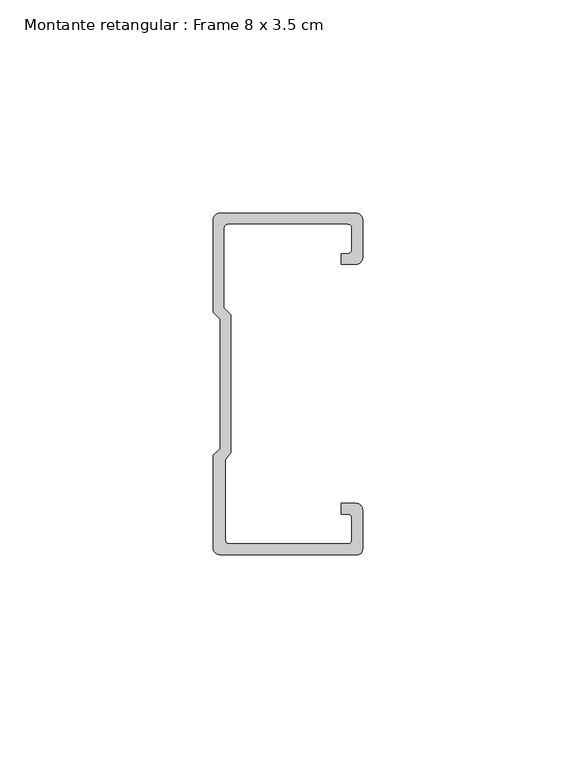
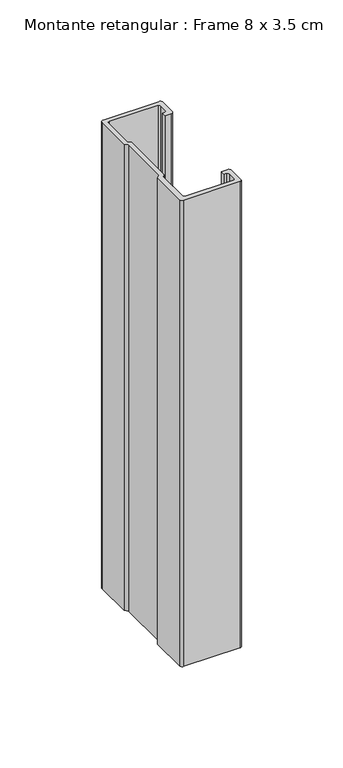
"""IFC4 building model written with IfcOpenShell, lengths in millimetres: member geometry, Montante retangular : Frame 8 x 3.5 cm."""

import ifcopenshell
import ifcopenshell.guid

model = None  # the IFC model being written
_history = None  # IfcOwnerHistory: only IFC2X3 demands one
_inside = {}  # id of a spatial element -> (the spatial element, [elements in it])
_under = {}  # id of a project, library or spatial element -> (it, [spatial elements below it])
_declared = {}  # id of a project -> (the project, [libraries it declares])
_typed = {}  # id of a type object -> (the type object, [elements of that type])
_made_of = {}  # id of a material, layer set ... -> (it, [elements and type objects made of it])


def new_model(schema):
    """Start an empty IFC model of exactly this schema.

    Asked for "IFC4X3", IfcOpenShell would pick the latest addendum, in which some entities
    have other attributes; the version numbers below select the first issue.
    IFC2X3 requires an IfcOwnerHistory on every rooted entity: one is made here for all.
    """
    global model, _history
    if schema == "IFC4X3":
        model = ifcopenshell.file(schema_version=(4, 3, 0, 0))
    else:
        model = ifcopenshell.file(schema=schema)
    _inside.clear()
    _under.clear()
    _declared.clear()
    _typed.clear()
    _made_of.clear()
    _history = None
    if model.schema == "IFC2X3":
        org = make("IfcOrganization", Name="unknown")
        user = make(
            "IfcPersonAndOrganization",
            ThePerson=make("IfcPerson", FamilyName="unknown"),
            TheOrganization=org,
        )
        app = make(
            "IfcApplication",
            ApplicationDeveloper=org,
            Version="unknown",
            ApplicationFullName="unknown",
            ApplicationIdentifier="unknown",
        )
        _history = make(
            "IfcOwnerHistory",
            OwningUser=user,
            OwningApplication=app,
            ChangeAction="ADDED",
            CreationDate=0,
        )
    return model


def make(cls, **values):
    """One entity of the class cls with the attributes given. An attribute that is None is left unset."""
    return model.create_entity(
        cls, **{name: value for name, value in values.items() if value is not None}
    )


def rooted(cls, **values):
    """An entity with a GlobalId (a new one), such as an element, a storey or a relation."""
    return make(cls, GlobalId=ifcopenshell.guid.new(), OwnerHistory=_history, **values)


def si_unit(unit_type, name, prefix=None):
    """IfcSIUnit, for example si_unit("LENGTHUNIT", "METRE", prefix="MILLI")."""
    return make("IfcSIUnit", UnitType=unit_type, Prefix=prefix, Name=name)


def assignment(units):
    """IfcUnitAssignment: the units of a project."""
    return None if units is None else make("IfcUnitAssignment", Units=units)


def point(xyz):
    """IfcCartesianPoint."""
    return None if xyz is None else make("IfcCartesianPoint", Coordinates=xyz)


def direction(xyz):
    """IfcDirection."""
    return None if xyz is None else make("IfcDirection", DirectionRatios=xyz)


def frame(location, z_axis=None, x_axis=None):
    """IfcAxis2Placement3D, a coordinate frame: its origin and axes. An axis left out is left unset."""
    return make(
        "IfcAxis2Placement3D",
        Location=point(location),
        Axis=direction(z_axis),
        RefDirection=direction(x_axis),
    )


def frame_2d(location, x_axis=None):
    """IfcAxis2Placement2D, a coordinate frame in the plane: its origin and x axis."""
    return make(
        "IfcAxis2Placement2D", Location=point(location), RefDirection=direction(x_axis)
    )


def origin():
    """The frame at (0, 0, 0) with its axes left unset."""
    return frame((0.0, 0.0, 0.0))


def place(relative_to, where):
    """IfcLocalPlacement: puts the frame where relative to a parent placement (None: the world)."""
    return make(
        "IfcLocalPlacement", PlacementRelTo=relative_to, RelativePlacement=where
    )


def context(
    kind, dimensions, precision=None, world=None, true_north=None, identifier=None
):
    """IfcGeometricRepresentationContext, for example the 3D "Model" context."""
    return make(
        "IfcGeometricRepresentationContext",
        ContextIdentifier=identifier,
        ContextType=kind,
        CoordinateSpaceDimension=dimensions,
        Precision=precision,
        WorldCoordinateSystem=world,
        TrueNorth=true_north,
    )


def project(units=None, contexts=None):
    """IfcProject with its units and contexts."""
    return rooted(
        "IfcProject",
        Name="project",
        RepresentationContexts=contexts,
        UnitsInContext=assignment(units),
    )


def spatial(cls, under=None, at=None, **own):
    """A site, building, storey or space (cls), placed at a placement, below another one or the project."""
    s = rooted(cls, ObjectPlacement=at, **own)
    if under is not None:
        _under.setdefault(under.id(), (under, []))[1].append(s)
    return s


def polyline(points):
    """IfcPolyline through the points."""
    return make("IfcPolyline", Points=[point(p) for p in points])


def circle_curve(where, radius):
    """IfcCircle in the frame where."""
    return make("IfcCircle", Position=where, Radius=radius)


def trimmed(basis, trim1, trim2, sense, master):
    """IfcTrimmedCurve: the piece of a basis curve between two trims."""
    return make(
        "IfcTrimmedCurve",
        BasisCurve=basis,
        Trim1=trim1,
        Trim2=trim2,
        SenseAgreement=sense,
        MasterRepresentation=master,
    )


def segment(curve, same_sense, transition):
    """IfcCompositeCurveSegment."""
    return make(
        "IfcCompositeCurveSegment",
        Transition=transition,
        SameSense=same_sense,
        ParentCurve=curve,
    )


def composite_curve(segments, self_intersect=None):
    """IfcCompositeCurve: segments joined end to end."""
    return make("IfcCompositeCurve", Segments=segments, SelfIntersect=self_intersect)


def outline(outer, holes=None, kind="AREA"):
    """IfcArbitraryClosedProfileDef: a profile drawn as a closed curve; with holes, ...WithVoids."""
    if holes is None:
        return make("IfcArbitraryClosedProfileDef", ProfileType=kind, OuterCurve=outer)
    return make(
        "IfcArbitraryProfileDefWithVoids",
        ProfileType=kind,
        OuterCurve=outer,
        InnerCurves=holes,
    )


def extrude(swept, where, along, depth):
    """IfcExtrudedAreaSolid: the profile swept, set in the frame where, extruded along a direction by depth."""
    return make(
        "IfcExtrudedAreaSolid",
        SweptArea=swept,
        Position=where,
        ExtrudedDirection=direction(along),
        Depth=depth,
    )


def shape(context_of_items, identifier, shape_type, items):
    """IfcShapeRepresentation: the items that make up one representation, for example the "Body"."""
    return make(
        "IfcShapeRepresentation",
        ContextOfItems=context_of_items,
        RepresentationIdentifier=identifier,
        RepresentationType=shape_type,
        Items=items,
    )


def source(mapping_origin, context_of_items, identifier, shape_type, items):
    """IfcRepresentationMap: a shape defined once, which mapped items show again and again."""
    return make(
        "IfcRepresentationMap",
        MappingOrigin=mapping_origin,
        MappedRepresentation=shape(context_of_items, identifier, shape_type, items),
    )


def transform(
    local_origin,
    x_axis=None,
    y_axis=None,
    z_axis=None,
    scale=None,
    scale2=None,
    scale3=None,
    uniform=True,
):
    """IfcCartesianTransformationOperator3D, or its non-uniform kind. x_axis, y_axis, z_axis: its Axis1, 2, 3."""
    if uniform:
        return make(
            "IfcCartesianTransformationOperator3D",
            Axis1=direction(x_axis),
            Axis2=direction(y_axis),
            LocalOrigin=point(local_origin),
            Scale=scale,
            Axis3=direction(z_axis),
        )
    return make(
        "IfcCartesianTransformationOperator3DnonUniform",
        Axis1=direction(x_axis),
        Axis2=direction(y_axis),
        LocalOrigin=point(local_origin),
        Scale=scale,
        Axis3=direction(z_axis),
        Scale2=scale2,
        Scale3=scale3,
    )


def mapped(mapping_source, mapping_target):
    """IfcMappedItem: shows the shape of a source again, moved by a transform."""
    return make(
        "IfcMappedItem", MappingSource=mapping_source, MappingTarget=mapping_target
    )


def made_of(thing, what):
    """Note that an element or type object is made of a material, layer set ...; save() writes the relation."""
    if what is not None:
        _made_of.setdefault(what.id(), (what, []))[1].append(thing)
    return thing


def element(
    cls,
    number,
    at=None,
    inside=None,
    cuts=None,
    type_object=None,
    material=None,
    context=None,
    identifier="Body",
    shape_type=None,
    held_by="IfcProductDefinitionShape",
    body=None,
    shapes=None,
    **own,
):
    """One element of the class cls, such as IfcWall. Its Tag is "e" and its number.

    at: its placement. inside: the storey or other place that contains it. cuts: it is an
    opening in that element (IfcRelVoidsElement). A single representation is given by context,
    identifier, shape_type and body (its items); several are given by shapes. held_by: the class
    of the entity that holds the representations. save() writes the other relations.
    """
    e = rooted(cls, Tag="e%d" % number, ObjectPlacement=at, **own)
    if body is not None:
        shapes = [shape(context, identifier, shape_type, body)]
    if shapes is not None:
        e.Representation = make(held_by, Representations=shapes)
    if inside is not None:
        _inside.setdefault(inside.id(), (inside, []))[1].append(e)
    if cuts is not None:
        rooted(
            "IfcRelVoidsElement", RelatingBuildingElement=cuts, RelatedOpeningElement=e
        )
    if type_object is not None:
        _typed.setdefault(type_object.id(), (type_object, []))[1].append(e)
    return made_of(e, material)


def aggregate(whole, parts):
    """IfcRelAggregates: a whole, such as a stair, and the parts it consists of."""
    return rooted("IfcRelAggregates", RelatingObject=whole, RelatedObjects=parts)


def save(model, path):
    """Write the relations noted so far, then the file.

    IfcRelAggregates (storeys below a building ...), IfcRelContainedInSpatialStructure (elements
    in a storey), IfcRelDefinesByType, IfcRelAssociatesMaterial and IfcRelDeclares: one each for
    every whole, place, type object, material and project.
    """
    for whole, parts in _under.values():
        aggregate(whole, parts)
    for where, things in _inside.values():
        rooted(
            "IfcRelContainedInSpatialStructure",
            RelatedElements=things,
            RelatingStructure=where,
        )
    for kind, things in _typed.values():
        rooted("IfcRelDefinesByType", RelatedObjects=things, RelatingType=kind)
    for what, things in _made_of.values():
        rooted("IfcRelAssociatesMaterial", RelatedObjects=things, RelatingMaterial=what)
    for by, libraries in _declared.values():
        rooted("IfcRelDeclares", RelatingContext=by, RelatedDefinitions=libraries)
    model.write(path)


def montante_retangular_frame_8_x_3_5_cm_4a231f04(model_context):
    return source(origin(), model_context, "Body", "SweptSolid", [
        extrude(outline(composite_curve([segment(trimmed(circle_curve(frame_2d((-1.5, 29.5276505)), 1.5), [point((0.0, 29.5276505))], [point((-1.5, 28.0276505))], False, "CARTESIAN"), True, "CONTINUOUS"), segment(polyline([(-1.5, 28.0276505), (-4.9837744, 28.0276505), (-4.9837744, 30.5276505), (-3.5, 30.5276505)]), True, "CONTINUOUS"), segment(trimmed(circle_curve(frame_2d((-3.5, 31.5276505)), 1.0), [point((-3.5, 30.5276505))], [point((-2.5, 31.5276505))], True, "CARTESIAN"), True, "CONTINUOUS"), segment(polyline([(-2.5, 31.5276505), (-2.5, 36.5)]), True, "CONTINUOUS"), segment(trimmed(circle_curve(frame_2d((-3.5, 36.5)), 1.0), [point((-2.5, 36.5))], [point((-3.5, 37.5))], True, "CARTESIAN"), True, "CONTINUOUS"), segment(polyline([(-3.5, 37.5), (-31.5, 37.5)]), True, "CONTINUOUS"), segment(trimmed(circle_curve(frame_2d((-31.5, 36.5)), 1.0), [point((-31.5, 37.5))], [point((-32.5, 36.5))], True, "CARTESIAN"), True, "CONTINUOUS"), segment(polyline([(-32.5, 36.5), (-32.5, 17.7978001), (-30.9122869, 16.2100869), (-30.9122869, -16.1794816), (-32.192786, -17.7671948), (-32.192786, -36.5)]), True, "CONTINUOUS"), segment(trimmed(circle_curve(frame_2d((-31.192786, -36.5)), 1.0), [point((-32.192786, -36.5))], [point((-31.192786, -37.5))], True, "CARTESIAN"), True, "CONTINUOUS"), segment(polyline([(-31.192786, -37.5), (-3.5, -37.5)]), True, "CONTINUOUS"), segment(trimmed(circle_curve(frame_2d((-3.5, -36.5)), 1.0), [point((-3.5, -37.5))], [point((-2.5, -36.5))], True, "CARTESIAN"), True, "CONTINUOUS"), segment(polyline([(-2.5, -36.5), (-2.5, -31.5276505)]), True, "CONTINUOUS"), segment(trimmed(circle_curve(frame_2d((-3.5, -31.5276505)), 1.0), [point((-2.5, -31.5276505))], [point((-3.5, -30.5276505))], True, "CARTESIAN"), True, "CONTINUOUS"), segment(polyline([(-3.5, -30.5276505), (-4.9837744, -30.5276505), (-4.9837744, -28.0276505), (-1.5, -28.0276505)]), True, "CONTINUOUS"), segment(trimmed(circle_curve(frame_2d((-1.5, -29.5276505)), 1.5), [point((-1.5, -28.0276505))], [point((0.0, -29.5276505))], False, "CARTESIAN"), True, "CONTINUOUS"), segment(polyline([(0.0, -29.5276505), (0.0, -38.8171833)]), True, "CONTINUOUS"), segment(trimmed(circle_curve(frame_2d((-1.1828167, -38.8171833)), 1.1828167), [point((0.0, -38.8171833))], [point((-1.1828167, -40.0))], False, "CARTESIAN"), True, "CONTINUOUS"), segment(polyline([(-1.1828167, -40.0), (-33.5, -40.0)]), True, "CONTINUOUS"), segment(trimmed(circle_curve(frame_2d((-33.5, -38.5)), 1.5), [point((-33.5, -40.0))], [point((-35.0, -38.5))], False, "CARTESIAN"), True, "CONTINUOUS"), segment(polyline([(-35.0, -38.5), (-35.0, -16.7622662), (-33.4122869, -15.174553), (-33.4122869, 15.174553), (-35.0, 16.7622662), (-35.0, 38.5)]), True, "CONTINUOUS"), segment(trimmed(circle_curve(frame_2d((-33.5, 38.5)), 1.5), [point((-35.0, 38.5))], [point((-33.5, 40.0))], False, "CARTESIAN"), True, "CONTINUOUS"), segment(polyline([(-33.5, 40.0), (-1.5, 40.0)]), True, "CONTINUOUS"), segment(trimmed(circle_curve(frame_2d((-1.5, 38.5)), 1.5), [point((-1.5, 40.0))], [point((0.0, 38.5))], False, "CARTESIAN"), True, "CONTINUOUS"), segment(polyline([(0.0, 38.5), (0.0, 29.5276505)]), True, "CONTINUOUS")], self_intersect=False)), frame((0.0, 0.0, -282.5), z_axis=(0.0, 0.0, 1.0), x_axis=(1.0, 0.0, 0.0)), (0.0, 0.0, 1.0), 282.5),
    ])


if __name__ == "__main__":
    model = new_model("IFC4")
    model_context = context("Model", 3, world=origin())
    ifc_project = project(units=[si_unit("LENGTHUNIT", "METRE", prefix="MILLI")], contexts=[model_context])
    site = spatial("IfcSite", under=ifc_project)
    building = spatial("IfcBuilding", under=site)
    placement = place(None, origin())
    montante_retangular_frame_8_x_3_5_cm_shape = montante_retangular_frame_8_x_3_5_cm_4a231f04(model_context)
    element("IfcMember", 1, ObjectType="Montante retangular : Frame 8 x 3.5 cm", at=placement, inside=building, context=model_context, shape_type="MappedRepresentation", body=[
        mapped(montante_retangular_frame_8_x_3_5_cm_shape, transform((0.0, 0.0, 0.0), x_axis=(1.0, 0.0, 0.0), y_axis=(0.0, 1.0, 0.0), z_axis=(0.0, 0.0, 1.0))),
    ])
    save(model, "model.ifc")
